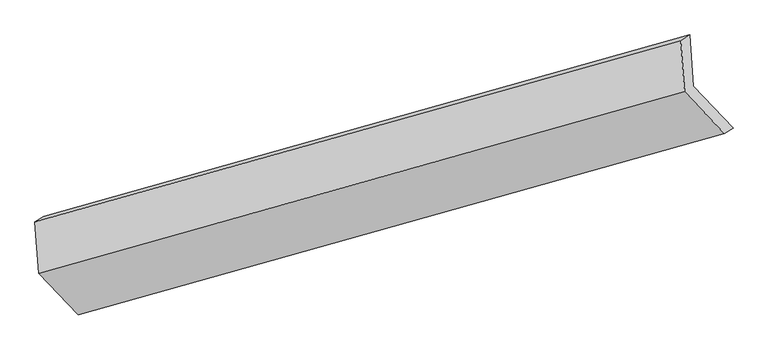
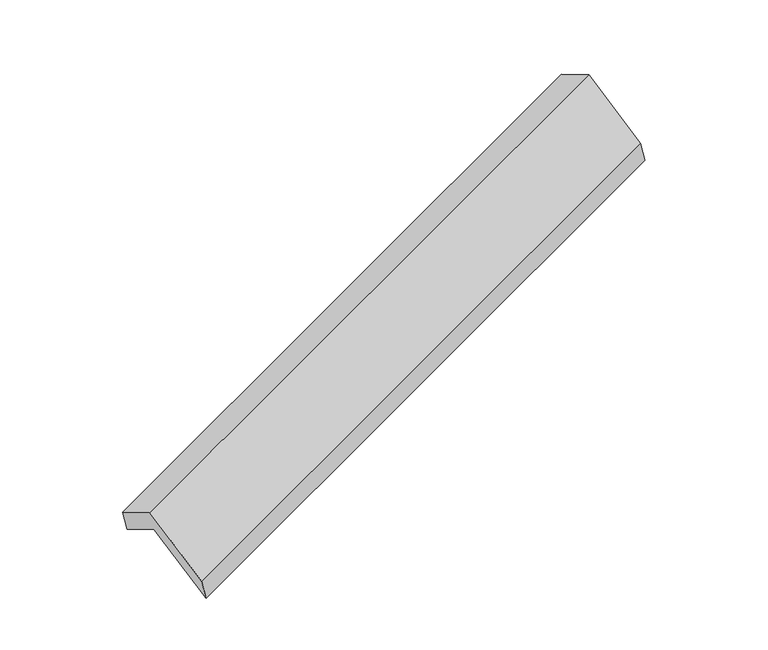
"""IFC4 building model written with IfcOpenShell, lengths in millimetres: proxy geometry."""

import ifcopenshell
import ifcopenshell.guid

model = None  # the IFC model being written
_history = None  # IfcOwnerHistory: only IFC2X3 demands one
_inside = {}  # id of a spatial element -> (the spatial element, [elements in it])
_under = {}  # id of a project, library or spatial element -> (it, [spatial elements below it])
_declared = {}  # id of a project -> (the project, [libraries it declares])
_typed = {}  # id of a type object -> (the type object, [elements of that type])
_made_of = {}  # id of a material, layer set ... -> (it, [elements and type objects made of it])


def new_model(schema):
    """Start an empty IFC model of exactly this schema.

    Asked for "IFC4X3", IfcOpenShell would pick the latest addendum, in which some entities
    have other attributes; the version numbers below select the first issue.
    IFC2X3 requires an IfcOwnerHistory on every rooted entity: one is made here for all.
    """
    global model, _history
    if schema == "IFC4X3":
        model = ifcopenshell.file(schema_version=(4, 3, 0, 0))
    else:
        model = ifcopenshell.file(schema=schema)
    _inside.clear()
    _under.clear()
    _declared.clear()
    _typed.clear()
    _made_of.clear()
    _history = None
    if model.schema == "IFC2X3":
        org = make("IfcOrganization", Name="unknown")
        user = make(
            "IfcPersonAndOrganization",
            ThePerson=make("IfcPerson", FamilyName="unknown"),
            TheOrganization=org,
        )
        app = make(
            "IfcApplication",
            ApplicationDeveloper=org,
            Version="unknown",
            ApplicationFullName="unknown",
            ApplicationIdentifier="unknown",
        )
        _history = make(
            "IfcOwnerHistory",
            OwningUser=user,
            OwningApplication=app,
            ChangeAction="ADDED",
            CreationDate=0,
        )
    return model


def make(cls, **values):
    """One entity of the class cls with the attributes given. An attribute that is None is left unset."""
    return model.create_entity(
        cls, **{name: value for name, value in values.items() if value is not None}
    )


def rooted(cls, **values):
    """An entity with a GlobalId (a new one), such as an element, a storey or a relation."""
    return make(cls, GlobalId=ifcopenshell.guid.new(), OwnerHistory=_history, **values)


def si_unit(unit_type, name, prefix=None):
    """IfcSIUnit, for example si_unit("LENGTHUNIT", "METRE", prefix="MILLI")."""
    return make("IfcSIUnit", UnitType=unit_type, Prefix=prefix, Name=name)


def assignment(units):
    """IfcUnitAssignment: the units of a project."""
    return None if units is None else make("IfcUnitAssignment", Units=units)


def point(xyz):
    """IfcCartesianPoint."""
    return None if xyz is None else make("IfcCartesianPoint", Coordinates=xyz)


def direction(xyz):
    """IfcDirection."""
    return None if xyz is None else make("IfcDirection", DirectionRatios=xyz)


def frame(location, z_axis=None, x_axis=None):
    """IfcAxis2Placement3D, a coordinate frame: its origin and axes. An axis left out is left unset."""
    return make(
        "IfcAxis2Placement3D",
        Location=point(location),
        Axis=direction(z_axis),
        RefDirection=direction(x_axis),
    )


def origin():
    """The frame at (0, 0, 0) with its axes left unset."""
    return frame((0.0, 0.0, 0.0))


def place(relative_to, where):
    """IfcLocalPlacement: puts the frame where relative to a parent placement (None: the world)."""
    return make(
        "IfcLocalPlacement", PlacementRelTo=relative_to, RelativePlacement=where
    )


def context(
    kind, dimensions, precision=None, world=None, true_north=None, identifier=None
):
    """IfcGeometricRepresentationContext, for example the 3D "Model" context."""
    return make(
        "IfcGeometricRepresentationContext",
        ContextIdentifier=identifier,
        ContextType=kind,
        CoordinateSpaceDimension=dimensions,
        Precision=precision,
        WorldCoordinateSystem=world,
        TrueNorth=true_north,
    )


def project(units=None, contexts=None):
    """IfcProject with its units and contexts."""
    return rooted(
        "IfcProject",
        Name="project",
        RepresentationContexts=contexts,
        UnitsInContext=assignment(units),
    )


def spatial(cls, under=None, at=None, **own):
    """A site, building, storey or space (cls), placed at a placement, below another one or the project."""
    s = rooted(cls, ObjectPlacement=at, **own)
    if under is not None:
        _under.setdefault(under.id(), (under, []))[1].append(s)
    return s


def faces_of(points, faces, orient=None, outer=None):
    """IfcFace entities. A face is a list of loops; a loop is a list of indices into points, from 0.

    orient and outer hold one flag for each loop. By default every Orientation is true, the
    first loop of a face is its IfcFaceOuterBound and the others are IfcFaceBound.
    """
    made = []
    for i, loops in enumerate(faces):
        bounds = []
        for j, loop in enumerate(loops):
            is_outer = j == 0 if outer is None else outer[i][j]
            bounds.append(
                make(
                    "IfcFaceOuterBound" if is_outer else "IfcFaceBound",
                    Bound=make("IfcPolyLoop", Polygon=[points[k] for k in loop]),
                    Orientation=True if orient is None else orient[i][j],
                )
            )
        made.append(make("IfcFace", Bounds=bounds))
    return made


def faceted_brep(points, faces, orient=None, outer=None, voids=None):
    """IfcFacetedBrep: a solid bounded by flat faces; with voids (closed shells), ...WithVoids."""
    shared = [point(p) for p in points]
    hull = make("IfcClosedShell", CfsFaces=faces_of(shared, faces, orient, outer))
    if voids is None:
        return make("IfcFacetedBrep", Outer=hull)
    return make(
        "IfcFacetedBrepWithVoids",
        Outer=hull,
        Voids=[
            make(cls, CfsFaces=faces_of(shared, fs, o, b)) for cls, fs, o, b in voids
        ],
    )


def shape(context_of_items, identifier, shape_type, items):
    """IfcShapeRepresentation: the items that make up one representation, for example the "Body"."""
    return make(
        "IfcShapeRepresentation",
        ContextOfItems=context_of_items,
        RepresentationIdentifier=identifier,
        RepresentationType=shape_type,
        Items=items,
    )


def source(mapping_origin, context_of_items, identifier, shape_type, items):
    """IfcRepresentationMap: a shape defined once, which mapped items show again and again."""
    return make(
        "IfcRepresentationMap",
        MappingOrigin=mapping_origin,
        MappedRepresentation=shape(context_of_items, identifier, shape_type, items),
    )


def transform(
    local_origin,
    x_axis=None,
    y_axis=None,
    z_axis=None,
    scale=None,
    scale2=None,
    scale3=None,
    uniform=True,
):
    """IfcCartesianTransformationOperator3D, or its non-uniform kind. x_axis, y_axis, z_axis: its Axis1, 2, 3."""
    if uniform:
        return make(
            "IfcCartesianTransformationOperator3D",
            Axis1=direction(x_axis),
            Axis2=direction(y_axis),
            LocalOrigin=point(local_origin),
            Scale=scale,
            Axis3=direction(z_axis),
        )
    return make(
        "IfcCartesianTransformationOperator3DnonUniform",
        Axis1=direction(x_axis),
        Axis2=direction(y_axis),
        LocalOrigin=point(local_origin),
        Scale=scale,
        Axis3=direction(z_axis),
        Scale2=scale2,
        Scale3=scale3,
    )


def mapped(mapping_source, mapping_target):
    """IfcMappedItem: shows the shape of a source again, moved by a transform."""
    return make(
        "IfcMappedItem", MappingSource=mapping_source, MappingTarget=mapping_target
    )


def made_of(thing, what):
    """Note that an element or type object is made of a material, layer set ...; save() writes the relation."""
    if what is not None:
        _made_of.setdefault(what.id(), (what, []))[1].append(thing)
    return thing


def element(
    cls,
    number,
    at=None,
    inside=None,
    cuts=None,
    type_object=None,
    material=None,
    context=None,
    identifier="Body",
    shape_type=None,
    held_by="IfcProductDefinitionShape",
    body=None,
    shapes=None,
    **own,
):
    """One element of the class cls, such as IfcWall. Its Tag is "e" and its number.

    at: its placement. inside: the storey or other place that contains it. cuts: it is an
    opening in that element (IfcRelVoidsElement). A single representation is given by context,
    identifier, shape_type and body (its items); several are given by shapes. held_by: the class
    of the entity that holds the representations. save() writes the other relations.
    """
    e = rooted(cls, Tag="e%d" % number, ObjectPlacement=at, **own)
    if body is not None:
        shapes = [shape(context, identifier, shape_type, body)]
    if shapes is not None:
        e.Representation = make(held_by, Representations=shapes)
    if inside is not None:
        _inside.setdefault(inside.id(), (inside, []))[1].append(e)
    if cuts is not None:
        rooted(
            "IfcRelVoidsElement", RelatingBuildingElement=cuts, RelatedOpeningElement=e
        )
    if type_object is not None:
        _typed.setdefault(type_object.id(), (type_object, []))[1].append(e)
    return made_of(e, material)


def aggregate(whole, parts):
    """IfcRelAggregates: a whole, such as a stair, and the parts it consists of."""
    return rooted("IfcRelAggregates", RelatingObject=whole, RelatedObjects=parts)


def save(model, path):
    """Write the relations noted so far, then the file.

    IfcRelAggregates (storeys below a building ...), IfcRelContainedInSpatialStructure (elements
    in a storey), IfcRelDefinesByType, IfcRelAssociatesMaterial and IfcRelDeclares: one each for
    every whole, place, type object, material and project.
    """
    for whole, parts in _under.values():
        aggregate(whole, parts)
    for where, things in _inside.values():
        rooted(
            "IfcRelContainedInSpatialStructure",
            RelatedElements=things,
            RelatingStructure=where,
        )
    for kind, things in _typed.values():
        rooted("IfcRelDefinesByType", RelatedObjects=things, RelatingType=kind)
    for what, things in _made_of.values():
        rooted("IfcRelAssociatesMaterial", RelatedObjects=things, RelatingMaterial=what)
    for by, libraries in _declared.values():
        rooted("IfcRelDeclares", RelatingContext=by, RelatedDefinitions=libraries)
    model.write(path)


def generic_models_3a70429b(model_context):
    return source(origin(), model_context, "Body", "Brep", [
        faceted_brep([(-5095.8075496, -2122.3923848, 1280.1518891), (-5121.289386, -1774.8313172, 1080.8541352), (-754.3667089, -546.8832822, 2663.9613926), (-728.8848724, -894.4443498, 2863.2591465), (-5180.6541282, -1813.1554787, 1275.3723958), (-813.7314511, -585.2074437, 2858.4796531), (-5155.1722918, -2160.7165463, 1474.6701497), (-788.2496146, -932.7685113, 3057.777407), (-4886.6624996, -2442.6970723, 948.5850672), (-519.7398224, -1214.7490374, 2531.6923246), (-4827.2977574, -2404.3729109, 754.0668067), (-460.3750802, -1176.4248759, 2337.174064)], [[[0, 1, 2, 3]], [[1, 4, 5, 2]], [[4, 6, 7, 5]], [[6, 8, 9, 7]], [[8, 10, 11, 9]], [[10, 0, 3, 11]], [[9, 11, 3, 2, 5, 7]], [[0, 10, 8, 6, 4, 1]]]),
    ])


if __name__ == "__main__":
    model = new_model("IFC4")
    model_context = context("Model", 3, world=origin())
    ifc_project = project(units=[si_unit("LENGTHUNIT", "METRE", prefix="MILLI")], contexts=[model_context])
    site = spatial("IfcSite", under=ifc_project)
    building = spatial("IfcBuilding", under=site)
    placement = place(None, origin())
    generic_models_shape = generic_models_3a70429b(model_context)
    element("IfcBuildingElementProxy", 1, Name="Generic Models", at=placement, inside=building, context=model_context, shape_type="MappedRepresentation", body=[
        mapped(generic_models_shape, transform((0.0, 0.0, 0.0), x_axis=(1.0, 0.0, 0.0), y_axis=(0.0, 1.0, 0.0), z_axis=(0.0, 0.0, 1.0))),
    ])
    save(model, "model.ifc")
